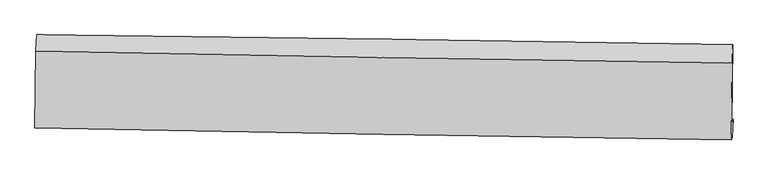
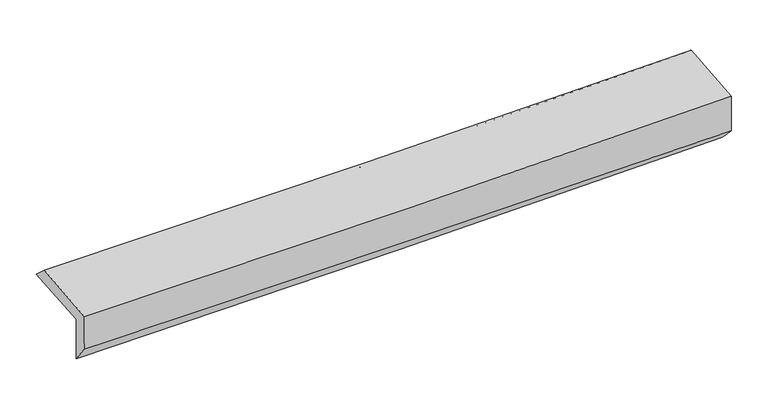
"""IFC4 building model written with IfcOpenShell, lengths in millimetres: proxy geometry."""

import ifcopenshell
import ifcopenshell.guid

model = None  # the IFC model being written
_history = None  # IfcOwnerHistory: only IFC2X3 demands one
_inside = {}  # id of a spatial element -> (the spatial element, [elements in it])
_under = {}  # id of a project, library or spatial element -> (it, [spatial elements below it])
_declared = {}  # id of a project -> (the project, [libraries it declares])
_typed = {}  # id of a type object -> (the type object, [elements of that type])
_made_of = {}  # id of a material, layer set ... -> (it, [elements and type objects made of it])


def new_model(schema):
    """Start an empty IFC model of exactly this schema.

    Asked for "IFC4X3", IfcOpenShell would pick the latest addendum, in which some entities
    have other attributes; the version numbers below select the first issue.
    IFC2X3 requires an IfcOwnerHistory on every rooted entity: one is made here for all.
    """
    global model, _history
    if schema == "IFC4X3":
        model = ifcopenshell.file(schema_version=(4, 3, 0, 0))
    else:
        model = ifcopenshell.file(schema=schema)
    _inside.clear()
    _under.clear()
    _declared.clear()
    _typed.clear()
    _made_of.clear()
    _history = None
    if model.schema == "IFC2X3":
        org = make("IfcOrganization", Name="unknown")
        user = make(
            "IfcPersonAndOrganization",
            ThePerson=make("IfcPerson", FamilyName="unknown"),
            TheOrganization=org,
        )
        app = make(
            "IfcApplication",
            ApplicationDeveloper=org,
            Version="unknown",
            ApplicationFullName="unknown",
            ApplicationIdentifier="unknown",
        )
        _history = make(
            "IfcOwnerHistory",
            OwningUser=user,
            OwningApplication=app,
            ChangeAction="ADDED",
            CreationDate=0,
        )
    return model


def make(cls, **values):
    """One entity of the class cls with the attributes given. An attribute that is None is left unset."""
    return model.create_entity(
        cls, **{name: value for name, value in values.items() if value is not None}
    )


def rooted(cls, **values):
    """An entity with a GlobalId (a new one), such as an element, a storey or a relation."""
    return make(cls, GlobalId=ifcopenshell.guid.new(), OwnerHistory=_history, **values)


def si_unit(unit_type, name, prefix=None):
    """IfcSIUnit, for example si_unit("LENGTHUNIT", "METRE", prefix="MILLI")."""
    return make("IfcSIUnit", UnitType=unit_type, Prefix=prefix, Name=name)


def assignment(units):
    """IfcUnitAssignment: the units of a project."""
    return None if units is None else make("IfcUnitAssignment", Units=units)


def point(xyz):
    """IfcCartesianPoint."""
    return None if xyz is None else make("IfcCartesianPoint", Coordinates=xyz)


def direction(xyz):
    """IfcDirection."""
    return None if xyz is None else make("IfcDirection", DirectionRatios=xyz)


def frame(location, z_axis=None, x_axis=None):
    """IfcAxis2Placement3D, a coordinate frame: its origin and axes. An axis left out is left unset."""
    return make(
        "IfcAxis2Placement3D",
        Location=point(location),
        Axis=direction(z_axis),
        RefDirection=direction(x_axis),
    )


def origin():
    """The frame at (0, 0, 0) with its axes left unset."""
    return frame((0.0, 0.0, 0.0))


def place(relative_to, where):
    """IfcLocalPlacement: puts the frame where relative to a parent placement (None: the world)."""
    return make(
        "IfcLocalPlacement", PlacementRelTo=relative_to, RelativePlacement=where
    )


def context(
    kind, dimensions, precision=None, world=None, true_north=None, identifier=None
):
    """IfcGeometricRepresentationContext, for example the 3D "Model" context."""
    return make(
        "IfcGeometricRepresentationContext",
        ContextIdentifier=identifier,
        ContextType=kind,
        CoordinateSpaceDimension=dimensions,
        Precision=precision,
        WorldCoordinateSystem=world,
        TrueNorth=true_north,
    )


def project(units=None, contexts=None):
    """IfcProject with its units and contexts."""
    return rooted(
        "IfcProject",
        Name="project",
        RepresentationContexts=contexts,
        UnitsInContext=assignment(units),
    )


def spatial(cls, under=None, at=None, **own):
    """A site, building, storey or space (cls), placed at a placement, below another one or the project."""
    s = rooted(cls, ObjectPlacement=at, **own)
    if under is not None:
        _under.setdefault(under.id(), (under, []))[1].append(s)
    return s


def shape(context_of_items, identifier, shape_type, items):
    """IfcShapeRepresentation: the items that make up one representation, for example the "Body"."""
    return make(
        "IfcShapeRepresentation",
        ContextOfItems=context_of_items,
        RepresentationIdentifier=identifier,
        RepresentationType=shape_type,
        Items=items,
    )


def source(mapping_origin, context_of_items, identifier, shape_type, items):
    """IfcRepresentationMap: a shape defined once, which mapped items show again and again."""
    return make(
        "IfcRepresentationMap",
        MappingOrigin=mapping_origin,
        MappedRepresentation=shape(context_of_items, identifier, shape_type, items),
    )


def transform(
    local_origin,
    x_axis=None,
    y_axis=None,
    z_axis=None,
    scale=None,
    scale2=None,
    scale3=None,
    uniform=True,
):
    """IfcCartesianTransformationOperator3D, or its non-uniform kind. x_axis, y_axis, z_axis: its Axis1, 2, 3."""
    if uniform:
        return make(
            "IfcCartesianTransformationOperator3D",
            Axis1=direction(x_axis),
            Axis2=direction(y_axis),
            LocalOrigin=point(local_origin),
            Scale=scale,
            Axis3=direction(z_axis),
        )
    return make(
        "IfcCartesianTransformationOperator3DnonUniform",
        Axis1=direction(x_axis),
        Axis2=direction(y_axis),
        LocalOrigin=point(local_origin),
        Scale=scale,
        Axis3=direction(z_axis),
        Scale2=scale2,
        Scale3=scale3,
    )


def mapped(mapping_source, mapping_target):
    """IfcMappedItem: shows the shape of a source again, moved by a transform."""
    return make(
        "IfcMappedItem", MappingSource=mapping_source, MappingTarget=mapping_target
    )


def made_of(thing, what):
    """Note that an element or type object is made of a material, layer set ...; save() writes the relation."""
    if what is not None:
        _made_of.setdefault(what.id(), (what, []))[1].append(thing)
    return thing


def element(
    cls,
    number,
    at=None,
    inside=None,
    cuts=None,
    type_object=None,
    material=None,
    context=None,
    identifier="Body",
    shape_type=None,
    held_by="IfcProductDefinitionShape",
    body=None,
    shapes=None,
    **own,
):
    """One element of the class cls, such as IfcWall. Its Tag is "e" and its number.

    at: its placement. inside: the storey or other place that contains it. cuts: it is an
    opening in that element (IfcRelVoidsElement). A single representation is given by context,
    identifier, shape_type and body (its items); several are given by shapes. held_by: the class
    of the entity that holds the representations. save() writes the other relations.
    """
    e = rooted(cls, Tag="e%d" % number, ObjectPlacement=at, **own)
    if body is not None:
        shapes = [shape(context, identifier, shape_type, body)]
    if shapes is not None:
        e.Representation = make(held_by, Representations=shapes)
    if inside is not None:
        _inside.setdefault(inside.id(), (inside, []))[1].append(e)
    if cuts is not None:
        rooted(
            "IfcRelVoidsElement", RelatingBuildingElement=cuts, RelatedOpeningElement=e
        )
    if type_object is not None:
        _typed.setdefault(type_object.id(), (type_object, []))[1].append(e)
    return made_of(e, material)


def aggregate(whole, parts):
    """IfcRelAggregates: a whole, such as a stair, and the parts it consists of."""
    return rooted("IfcRelAggregates", RelatingObject=whole, RelatedObjects=parts)


def save(model, path):
    """Write the relations noted so far, then the file.

    IfcRelAggregates (storeys below a building ...), IfcRelContainedInSpatialStructure (elements
    in a storey), IfcRelDefinesByType, IfcRelAssociatesMaterial and IfcRelDeclares: one each for
    every whole, place, type object, material and project.
    """
    for whole, parts in _under.values():
        aggregate(whole, parts)
    for where, things in _inside.values():
        rooted(
            "IfcRelContainedInSpatialStructure",
            RelatedElements=things,
            RelatingStructure=where,
        )
    for kind, things in _typed.values():
        rooted("IfcRelDefinesByType", RelatedObjects=things, RelatingType=kind)
    for what, things in _made_of.values():
        rooted("IfcRelAssociatesMaterial", RelatedObjects=things, RelatingMaterial=what)
    for by, libraries in _declared.values():
        rooted("IfcRelDeclares", RelatingContext=by, RelatedDefinitions=libraries)
    model.write(path)


def plane_surface(at):
    """IfcPlane: the flat surface through the origin of the frame at, square to its z axis."""
    return make("IfcPlane", Position=at)


def spline_curve(degree, points, multiplicities, knots, weights=None):
    """IfcBSplineCurveWithKnots; with weights, IfcRationalBSplineCurveWithKnots."""
    own = dict(
        Degree=degree,
        ControlPointsList=[point(p) for p in points],
        CurveForm="UNSPECIFIED",
        ClosedCurve=False,
        SelfIntersect=False,
        KnotMultiplicities=multiplicities,
        Knots=knots,
        KnotSpec="UNSPECIFIED",
    )
    if weights is None:
        return make("IfcBSplineCurveWithKnots", **own)
    return make("IfcRationalBSplineCurveWithKnots", WeightsData=weights, **own)


def spline_surface(u_degree, v_degree, points, u_multiplicities, v_multiplicities, u_knots, v_knots, weights=None):
    """IfcBSplineSurfaceWithKnots; with weights, IfcRationalBSplineSurfaceWithKnots. points: one row for each step in u."""
    own = dict(
        UDegree=u_degree,
        VDegree=v_degree,
        ControlPointsList=[[point(p) for p in row] for row in points],
        SurfaceForm="UNSPECIFIED",
        UClosed=False,
        VClosed=False,
        SelfIntersect=False,
        UMultiplicities=u_multiplicities,
        VMultiplicities=v_multiplicities,
        UKnots=u_knots,
        VKnots=v_knots,
        KnotSpec="UNSPECIFIED",
    )
    if weights is None:
        return make("IfcBSplineSurfaceWithKnots", **own)
    return make("IfcRationalBSplineSurfaceWithKnots", WeightsData=weights, **own)


def advanced_brep(points, edges, surfaces, faces):
    """IfcAdvancedBrep: a solid bounded by faces that lie on surfaces and meet in shared edges.

    An edge is (start, end): straight between two places in points (the first is 0);
    or (start, end, curve); or (start, end, curve, False) where it runs against its curve.
    A face is (place in surfaces, loops), or (place, loops, False) where it looks against
    its surface's normal. A loop lists edges by number (the first is 1), with a minus sign
    where the edge is run from its end to its start. The first loop is the outer one.
    """
    corners = [point(p) for p in points]
    vertices = [make("IfcVertexPoint", VertexGeometry=c) for c in corners]
    made = []
    for start, end, *more in edges:
        made.append(
            make(
                "IfcEdgeCurve",
                EdgeStart=vertices[start],
                EdgeEnd=vertices[end],
                EdgeGeometry=more[0] if more else make("IfcPolyline", Points=[corners[start], corners[end]]),
                SameSense=more[1] if len(more) > 1 else True,
            )
        )
    hull = []
    for where, loops, *sense in faces:
        bounds = []
        for j, loop in enumerate(loops):
            ring = [make("IfcOrientedEdge", EdgeElement=made[abs(k) - 1], Orientation=k > 0) for k in loop]
            bounds.append(
                make(
                    "IfcFaceOuterBound" if j == 0 else "IfcFaceBound",
                    Bound=make("IfcEdgeLoop", EdgeList=ring),
                    Orientation=True,
                )
            )
        hull.append(make("IfcAdvancedFace", Bounds=bounds, FaceSurface=surfaces[where], SameSense=sense[0] if sense else True))
    return make("IfcAdvancedBrep", Outer=make("IfcClosedShell", CfsFaces=hull))


def generic_models_362c5775(model_context):
    return source(origin(), model_context, "Body", "AdvancedBrep", [
        advanced_brep(
        [(-3020.1925804, -1762.0463048, 1951.8417931), (-3010.7088774, -1095.9727756, 1992.6684765), (3007.0738375, -1180.3521004, 2134.1477868), (2997.0397924, -1860.244723, 2105.8189151), (-3008.9592915, -1737.1337108, 1542.7918495), (3008.5075352, -1828.069742, 1692.268036), (-3016.1100142, -1881.5523869, 1726.213693), (3001.8428992, -1983.4992371, 1850.752249), (-3025.4070447, -1902.1708494, 2064.7565579), (2991.9980255, -2005.3326773, 2209.2443241), (-3016.2625066, -1235.5753607, 2118.6964077), (3001.1085557, -1341.2162159, 2262.983575)],
        [
            (0, 1),
            (1, 2, spline_curve(3, [(-3010.7088774, -1095.9727756, 1992.6684765), (-2007.064366381, -1106.769192186, 1991.959773707), (-1003.75290908, -1119.199137186, 2003.395713939), (1002.174642998, -1147.325674416, 2050.556192671), (2004.79075759, -1163.022170844, 2086.280022497), (3007.0738375, -1180.3521004, 2134.1477868)], [4, 2, 4], [0.0, 9.876197896645854, 19.752107728207594])),
            (2, 3),
            (3, 0, spline_curve(3, [(2997.0397924, -1860.244723, 2105.8189151), (1994.718105912, -1841.618999017, 2060.183981424), (992.128548361, -1824.123038454, 2024.535129213), (-1013.615559968, -1791.390166169, 1973.208839443), (-2016.770127131, -1776.153321025, 1957.531984271), (-3020.1925804, -1762.0463048, 1951.8417931)], [4, 2, 4], [0.0, 9.87590983156174, 19.752107728207594])),
            (4, 0),
            (3, 5),
            (5, 4, spline_curve(3, [(3008.5075352, -1828.069742, 1692.268036), (2006.037755703, -1808.910524987, 1652.541789493), (1003.354613133, -1791.75299539, 1620.222391127), (-1002.46764988, -1761.440868138, 1570.396563612), (-2005.606783028, -1748.286387402, 1552.890566511), (-3008.9592915, -1737.1337108, 1542.7918495)], [4, 2, 4], [0.0, 9.875574198470336, 19.751436452234884])),
            (6, 4),
            (5, 7),
            (7, 6, spline_curve(3, [(3001.8428992, -1983.4992371, 1850.752249), (1998.77700524, -1970.896090609, 1829.599501422), (995.755295145, -1956.099102746, 1808.645062913), (-1010.229012055, -1922.116947058, 1767.132199662), (-2013.1916065, -1902.931651804, 1746.573785912), (-3016.1100142, -1881.5523869, 1726.213693)], [4, 2, 4], [0.0, 9.875323426789382, 19.750934901558356])),
            (8, 6),
            (7, 9),
            (9, 8, spline_curve(3, [(2991.9980255, -2005.3326773, 2209.2443241), (1989.206051647, -1992.122045139, 2178.117019723), (986.366956032, -1976.920064521, 2150.512844802), (-1019.434731279, -1942.532904376, 2102.350050391), (-2022.39732586, -1923.347609426, 2081.791636993), (-3025.4070447, -1902.1708494, 2064.7565579)], [4, 2, 4], [0.0, 9.87532087851711, 19.75092980493948])),
            (10, 8),
            (9, 11),
            (11, 10, spline_curve(3, [(3001.1085557, -1341.2162159, 2262.983575), (1998.333585721, -1326.766076202, 2231.956569758), (995.505826179, -1310.737753005, 2204.419260935), (-1010.284524861, -1275.52422664, 2156.323334833), (-2013.247119497, -1256.338931276, 2135.764921215), (-3016.2625066, -1235.5753607, 2118.6964077)], [4, 2, 4], [0.0, 9.87531529086873, 19.750918629479738])),
            (1, 10),
            (11, 2),
        ],
        [
            spline_surface(3, 3, [[(-3020.1925804, -1762.0463048, 1951.8417931), (-2016.770126987, -1776.153320941, 1957.531984203), (-1013.615560118, -1791.390166322, 1973.208839372), (992.128548511, -1824.123038302, 2024.535129284), (1994.718105931, -1841.618998977, 2060.183981422), (2997.0397924, -1860.244723, 2105.8189151)], [(-3017.031346087, -1540.021795066, 1965.450687586), (-2013.534873458, -1553.025278044, 1969.007914074), (-1010.328009793, -1567.326489989, 1983.271130927), (995.477246695, -1598.523916943, 2033.208817053), (1998.075656446, -1615.420056235, 2068.882661759), (3000.384474095, -1633.613848806, 2115.261872342)], [(-3013.870111713, -1317.997285334, 1979.059582014), (-2010.299619869, -1329.897235149, 1980.483843889), (-1007.04045947, -1343.262813683, 1993.333422474), (998.825944878, -1372.924795611, 2041.882504813), (2001.433206979, -1389.221113473, 2077.58134207), (3003.729155805, -1406.982974594, 2124.704829558)], [(-3010.7088774, -1095.9727756, 1992.6684765), (-2007.06436634, -1106.769192252, 1991.959773761), (-1003.752909145, -1119.199137349, 2003.395714029), (1002.174643063, -1147.325674253, 2050.556192582), (2004.790757494, -1163.022170731, 2086.280022408), (3007.0738375, -1180.3521004, 2134.1477868)]], [4, 4], [4, 2, 4], [0.0, 2.215068127669446], [0.0, 9.876197896645854, 19.752107728207594]),
            spline_surface(3, 3, [[(-3008.9592915, -1737.1337108, 1542.7918495), (-2005.60678311, -1748.286387502, 1552.890566499), (-1002.467649944, -1761.440868181, 1570.396563582), (1003.354613197, -1791.752995347, 1620.222391158), (2006.037755556, -1808.910525084, 1652.541789621), (3008.5075352, -1828.069742, 1692.268036)], [(-3012.703721119, -1745.43790879, 1679.141830674), (-2009.327897721, -1757.575365305, 1687.771039041), (-1006.183620022, -1771.423967567, 1704.667322159), (999.612591615, -1802.543009671, 1754.993303847), (2002.264538997, -1819.813349718, 1788.422520231), (3004.684954249, -1838.79473567, 1830.118329043)], [(-3016.448150781, -1753.74210681, 1815.491811926), (-2013.049012376, -1766.864343138, 1822.651511661), (-1009.89959004, -1781.407066935, 1838.938080795), (995.870570093, -1813.333023977, 1889.764216595), (1998.49132249, -1830.716174343, 1924.303250811), (3000.862373351, -1849.51972933, 1967.968622057)], [(-3020.1925804, -1762.0463048, 1951.8417931), (-2016.770126987, -1776.153320941, 1957.531984203), (-1013.615560118, -1791.390166322, 1973.208839372), (992.128548511, -1824.123038302, 2024.535129284), (1994.718105931, -1841.618998977, 2060.183981422), (2997.0397924, -1860.244723, 2105.8189151)]], [4, 4], [4, 2, 4], [0.0, 1.3284717935157315], [0.0, 9.875862253764549, 19.751436452234884]),
            spline_surface(3, 3, [[(-3016.1100142, -1881.5523869, 1726.213693), (-2013.191606429, -1902.931651959, 1746.573785799), (-1010.229011979, -1922.116947189, 1767.132199506), (995.755295069, -1956.099102615, 1808.645063069), (1998.777005078, -1970.896090766, 1829.599501374), (3001.8428992, -1983.4992371, 1850.752249)], [(-3013.726439961, -1833.412828229, 1665.0730785), (-2010.663331984, -1851.383230502, 1682.012712699), (-1007.641891286, -1868.55825419, 1701.55365421), (998.288401126, -1901.317066863, 1745.837505777), (2001.19725526, -1916.900902216, 1770.580264105), (3004.064444556, -1931.689405411, 1797.924177983)], [(-3011.342865739, -1785.273269471, 1603.932464), (-2008.135057556, -1799.834808959, 1617.451639599), (-1005.054770637, -1814.999561179, 1635.975108878), (1000.82150714, -1846.535031099, 1683.02994845), (2003.617505373, -1862.905713633, 1711.561026889), (3006.285989844, -1879.879573689, 1745.096107017)], [(-3008.9592915, -1737.1337108, 1542.7918495), (-2005.60678311, -1748.286387502, 1552.890566499), (-1002.467649944, -1761.440868181, 1570.396563582), (1003.354613197, -1791.752995347, 1620.222391158), (2006.037755556, -1808.910525084, 1652.541789621), (3008.5075352, -1828.069742, 1692.268036)]], [4, 4], [4, 2, 4], [0.0, 0.82710749943512], [0.0, 9.875611474768974, 19.750934901558356]),
            spline_surface(3, 3, [[(-3025.4070447, -1902.1708494, 2064.7565579), (-2022.39732573, -1923.34760931, 2081.791636852), (-1019.43473128, -1942.53290454, 2102.35005046), (986.366956033, -1976.920064358, 2150.512844733), (1989.20605166, -1992.12204505, 2178.117019841), (2991.9980255, -2005.3326773, 2209.2443241)], [(-3022.308034542, -1895.298028557, 1951.908936292), (-2019.328752638, -1916.542290183, 1970.052353193), (-1016.366158188, -1935.727585413, 1990.610766801), (989.49640237, -1969.979743767, 2036.556917504), (1992.396369467, -1985.046726933, 2061.944513696), (2995.279650067, -1998.054863878, 2089.746965744)], [(-3019.209024358, -1888.425207743, 1839.061314608), (-2016.260179521, -1909.736971086, 1858.313069458), (-1013.297585071, -1928.922266316, 1878.871483165), (992.625848732, -1963.039423205, 1922.600990298), (1995.586687271, -1977.971408883, 1945.772007519), (2998.561274633, -1990.777050522, 1970.249607356)], [(-3016.1100142, -1881.5523869, 1726.213693), (-2013.191606429, -1902.931651959, 1746.573785799), (-1010.229011979, -1922.116947189, 1767.132199506), (995.755295069, -1956.099102615, 1808.645063069), (1998.777005078, -1970.896090766, 1829.599501374), (3001.8428992, -1983.4992371, 1850.752249)]], [4, 4], [4, 2, 4], [0.0, 1.1131804583396805], [0.0, 9.875608926422371, 19.75092980493948]),
            spline_surface(3, 3, [[(-3016.2625066, -1235.5753607, 2118.6964077), (-2013.247119387, -1256.338931342, 2135.764921273), (-1010.284524837, -1275.524226671, 2156.32333488), (995.505826155, -1310.737752974, 2204.419260888), (1998.333585762, -1326.766076104, 2231.956569726), (3001.1085557, -1341.2162159, 2262.983575)], [(-3019.310685984, -1457.773856914, 2100.716457761), (-2016.297188186, -1478.675157312, 2117.77382646), (-1013.334593635, -1497.860452642, 2138.332240067), (992.45953613, -1532.79852345, 2186.450455498), (1995.2910744, -1548.551399118, 2214.010053107), (2998.071712305, -1562.588369733, 2245.070491376)], [(-3022.358865316, -1679.972353186, 2082.736507839), (-2019.347256931, -1701.011383339, 2099.782731665), (-1016.384662481, -1720.196678569, 2120.341145272), (989.413246058, -1754.859293882, 2168.481650124), (1992.248563022, -1770.336722035, 2196.06353646), (2995.034868895, -1783.960523467, 2227.157407724)], [(-3025.4070447, -1902.1708494, 2064.7565579), (-2022.39732573, -1923.34760931, 2081.791636852), (-1019.43473128, -1942.53290454, 2102.35005046), (986.366956033, -1976.920064358, 2150.512844733), (1989.20605166, -1992.12204505, 2178.117019841), (2991.9980255, -2005.3326773, 2209.2443241)]], [4, 4], [4, 2, 4], [0.0, 2.1943465417613477], [0.0, 9.875603338611008, 19.750918629479738]),
            spline_surface(3, 3, [[(-3010.7088774, -1095.9727756, 1992.6684765), (-2007.06436634, -1106.769192252, 1991.959773761), (-1003.752909145, -1119.199137349, 2003.395714029), (1002.174643063, -1147.325674253, 2050.556192582), (2004.790757494, -1163.022170731, 2086.280022408), (3007.0738375, -1180.3521004, 2134.1477868)], [(-3012.560087108, -1142.506970644, 2034.677786887), (-2009.125283997, -1156.625771959, 2039.894822919), (-1005.930114378, -1171.307500451, 2054.371587664), (999.951704092, -1201.796367154, 2101.843882035), (2002.638366911, -1217.60347249, 2134.838871492), (3005.085410227, -1233.973472202, 2177.093049512)], [(-3014.411296892, -1189.041165656, 2076.687097313), (-2011.18620173, -1206.482351635, 2087.829872114), (-1008.107319604, -1223.41586357, 2105.347461245), (997.728765127, -1256.267060073, 2153.131571435), (2000.485976345, -1272.184774344, 2183.397720642), (3003.096982973, -1287.594844098, 2220.038312288)], [(-3016.2625066, -1235.5753607, 2118.6964077), (-2013.247119387, -1256.338931342, 2135.764921273), (-1010.284524837, -1275.524226671, 2156.32333488), (995.505826155, -1310.737752974, 2204.419260888), (1998.333585762, -1326.766076104, 2231.956569726), (3001.1085557, -1341.2162159, 2262.983575)]], [4, 4], [4, 2, 4], [0.0, 0.7272196177634059], [0.0, 9.875855752475763, 19.75142344984694]),
            plane_surface(frame((3001.2617742, -1699.7857826, 2042.5358143), z_axis=(0.9995235203687675, -0.015854714529170838, 0.026483207072120617), x_axis=(0.027400818216157457, 0.060768085592508556, -0.9977757438094528))),
            plane_surface(frame((-3016.2733858, -1602.4085647, 1899.4947963), z_axis=(-0.9995235203687686, 0.01585471452913701, -0.026483207072098024), x_axis=(-0.014210115788074818, -0.9980259855337541, -0.06117356298817749))),
        ],
        [
            (0, [[1, 2, 3, 4]]),
            (1, [[5, -4, 6, 7]]),
            (2, [[8, -7, 9, 10]]),
            (3, [[11, -10, 12, 13]]),
            (4, [[14, -13, 15, 16]]),
            (5, [[17, -16, 18, -2]]),
            (6, [[-12, -9, -6, -3, -18, -15]]),
            (7, [[-1, -5, -8, -11, -14, -17]]),
        ],
    ),
    ])


if __name__ == "__main__":
    model = new_model("IFC4")
    model_context = context("Model", 3, world=origin())
    ifc_project = project(units=[si_unit("LENGTHUNIT", "METRE", prefix="MILLI")], contexts=[model_context])
    site = spatial("IfcSite", under=ifc_project)
    building = spatial("IfcBuilding", under=site)
    placement = place(None, origin())
    generic_models_shape = generic_models_362c5775(model_context)
    element("IfcBuildingElementProxy", 1, Name="Generic Models", at=placement, inside=building, context=model_context, shape_type="MappedRepresentation", body=[
        mapped(generic_models_shape, transform((0.0, 0.0, 0.0), x_axis=(1.0, 0.0, 0.0), y_axis=(0.0, 1.0, 0.0), z_axis=(0.0, 0.0, 1.0))),
    ])
    save(model, "model.ifc")
